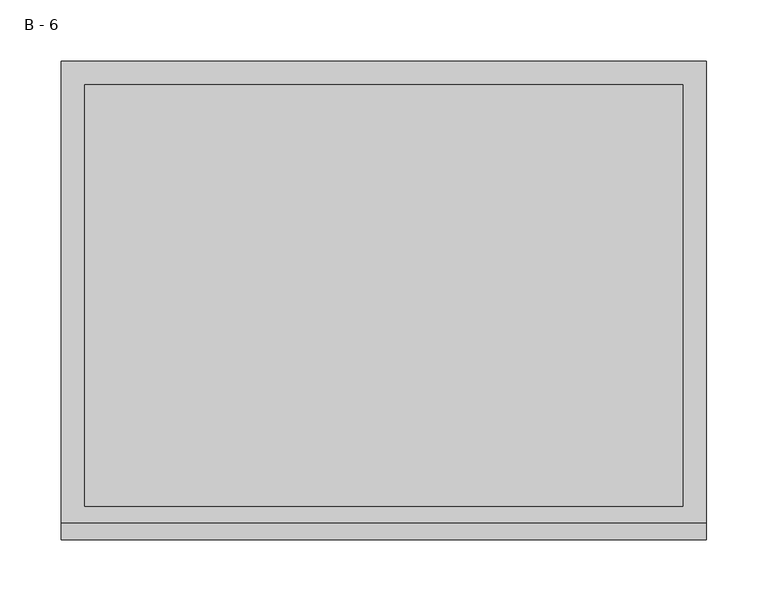
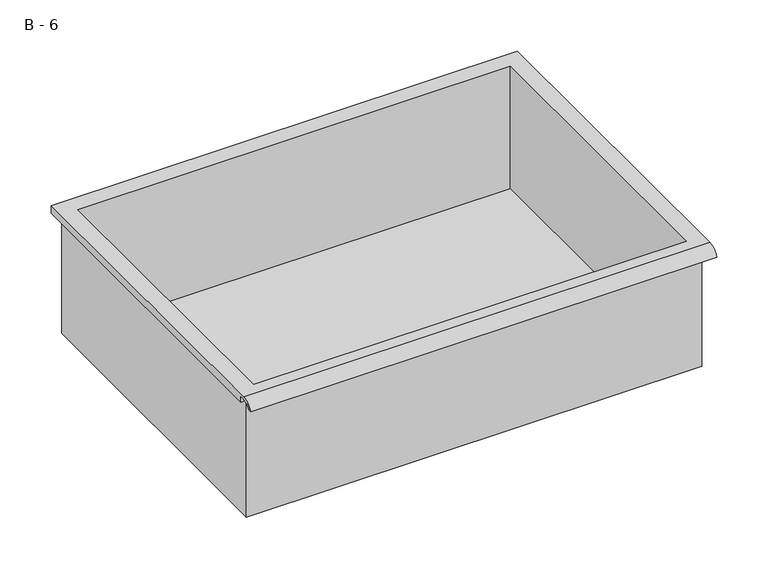
"""IFC4 building model written with IfcOpenShell, lengths in millimetres: furniture geometry, B - 6."""

from ifc_helpers import new_model, si_unit, frame, origin, place, context, project, spatial, polyline, circle_curve, source, transform, mapped, element, save
from ifc_brep_helpers import plane_surface, cylinder_surface, revolved_surface, advanced_brep


def b_6_ca415e89(model_context):
    return source(origin(), model_context, "Body", "AdvancedBrep", [
        advanced_brep(
        [(-257.1076517, -176.2125, 719.1629), (257.2423483, -176.2125, 719.1629), (257.2423483, -176.2125, 858.8629), (263.5923483, -176.2125, 858.8629), (263.5923483, -176.2125, 865.1700341), (-263.4576517, -176.2125, 865.1700341), (-263.4576517, -176.2125, 858.8629), (-257.1076517, -176.2125, 858.8629), (257.2423483, 185.7375, 719.1629), (-257.1076517, 185.7375, 719.1629), (-257.1076517, 185.7375, 858.8629), (257.2423483, 185.7375, 858.8629), (263.5923483, -181.6070544, 868.3879), (263.5923483, 195.2625, 868.3879), (-263.4576517, 195.2625, 868.3879), (-263.4576517, -181.6070544, 868.3879), (244.5423483, -168.275, 868.3879), (-244.4076517, -168.275, 868.3879), (-244.4076517, 176.2125, 868.3879), (244.5423483, 176.2125, 868.3879), (263.5923483, -195.2625, 858.8629), (263.5923483, -191.8280601, 858.8629), (263.5923483, -180.4714815, 865.1700341), (263.5923483, 195.2625, 858.8629), (-263.4576517, 195.2625, 858.8629), (-263.4576517, -180.4714815, 865.1700341), (-263.4576517, -191.8280601, 858.8629), (-263.4576517, -195.2625, 858.8629), (-244.4076517, -168.275, 722.1890719), (244.5423483, -168.275, 722.1890719), (244.5423483, 176.2125, 722.1890719), (-244.4076517, 176.2125, 722.1890719)],
        [
            (0, 1),
            (1, 2),
            (2, 3),
            (3, 4),
            (4, 5),
            (5, 6),
            (6, 7),
            (7, 0),
            (8, 9),
            (9, 10),
            (10, 11),
            (11, 8),
            (0, 9),
            (8, 1),
            (11, 2),
            (12, 13),
            (13, 14),
            (14, 15),
            (15, 12),
            (16, 17),
            (17, 18),
            (18, 19),
            (19, 16),
            (7, 10),
            (12, 20, circle_curve(frame((263.5923483, -181.6070544, 853.8368859), z_axis=(1.0, 0.0, 0.0), x_axis=(0.0, 1.0, 0.0)), 14.5510141)),
            (20, 21),
            (21, 22, circle_curve(frame((263.5923483, -181.6070544, 853.8368859), z_axis=(-1.0, 0.0, 0.0), x_axis=(0.0, 1.0, 0.0)), 11.3898979)),
            (22, 4),
            (3, 23),
            (23, 13),
            (14, 24),
            (24, 6),
            (5, 25),
            (25, 26, circle_curve(frame((-263.4576517, -181.6070544, 853.8368859), z_axis=(1.0, 0.0, 0.0), x_axis=(0.0, 1.0, 0.0)), 11.3898979)),
            (26, 27),
            (27, 15, circle_curve(frame((-263.4576517, -181.6070544, 853.8368859), z_axis=(-1.0, 0.0, 0.0), x_axis=(0.0, 1.0, 0.0)), 14.5510141)),
            (27, 20),
            (26, 21),
            (25, 22),
            (24, 23),
            (28, 29),
            (29, 30),
            (30, 31),
            (31, 28),
            (28, 17),
            (16, 29),
            (19, 30),
            (18, 31),
        ],
        [
            plane_surface(frame((257.2423483, -176.2125, 719.1629), z_axis=(0.0, -1.0, 0.0), x_axis=(1.0, 0.0, 0.0))),
            plane_surface(frame((257.2423483, 185.7375, 719.1629), z_axis=(0.0, 1.0, 0.0), x_axis=(-1.0, 0.0, 0.0))),
            plane_surface(frame((-257.1076517, -176.2125, 719.1629), z_axis=(0.0, 0.0, -1.0), x_axis=(0.0, 1.0, 0.0))),
            plane_surface(frame((257.2423483, -176.2125, 719.1629), z_axis=(1.0, 0.0, 0.0), x_axis=(0.0, 1.0, 0.0))),
            plane_surface(frame((257.2423483, -176.2125, 868.3879), z_axis=(0.0, 0.0, 1.0), x_axis=(0.0, 1.0, 0.0))),
            plane_surface(frame((-257.1076517, -176.2125, 868.3879), z_axis=(-1.0, 0.0, 0.0), x_axis=(0.0, 1.0, 0.0))),
            plane_surface(frame((263.5923483, 195.2625, 868.3879), z_axis=(1.0, 0.0, 0.0), x_axis=(0.0, -1.0, 0.0))),
            plane_surface(frame((-263.4576517, 195.2625, 868.3879), z_axis=(-1.0, 0.0, 0.0), x_axis=(0.0, 1.0, 0.0))),
            cylinder_surface(frame((-263.4576517, -181.6070544, 853.8368859), z_axis=(1.0, 0.0, 0.0), x_axis=(0.0, 1.0, 0.0)), 14.5510141),
            plane_surface(frame((263.5923483, -195.2625, 858.8629), z_axis=(0.0, -7.133584965254341e-12, -1.0), x_axis=(-1.0, 0.0, 0.0))),
            revolved_surface(polyline([(-263.4576517, -170.21715650000002, 853.8368859), (263.59234829999997, -170.21715650000002, 853.8368859)]), (-263.4576517, -181.6070544, 853.8368859), (-1.0, 0.0, 0.0)),
            plane_surface(frame((263.5923483, -180.4714815, 865.1700341), z_axis=(0.0, -1.7734282788987848e-11, -1.0), x_axis=(-1.0, 0.0, 0.0))),
            plane_surface(frame((263.5923483, -176.2125, 858.8629), z_axis=(0.0, 0.0, -1.0), x_axis=(-1.0, 0.0, 0.0))),
            plane_surface(frame((263.5923483, 195.2625, 858.8629), z_axis=(0.0, 1.0, 0.0), x_axis=(-1.0, 0.0, 0.0))),
            plane_surface(frame((244.5423483, -168.275, 722.1890719), z_axis=(0.0, 0.0, 1.0), x_axis=(-1.0, 0.0, 0.0))),
            plane_surface(frame((-244.4076517, -168.275, 868.3879), z_axis=(0.0, 1.0, 0.0), x_axis=(0.0, 0.0, -1.0))),
            plane_surface(frame((244.5423483, -168.275, 868.3879), z_axis=(-1.0, 0.0, 0.0), x_axis=(0.0, 0.0, -1.0))),
            plane_surface(frame((244.5423483, 176.2125, 868.3879), z_axis=(0.0, -1.0, 0.0), x_axis=(0.0, 0.0, -1.0))),
            plane_surface(frame((-244.4076517, 176.2125, 868.3879), z_axis=(1.0, 0.0, 0.0), x_axis=(0.0, 0.0, -1.0))),
        ],
        [
            (0, [[1, 2, 3, 4, 5, 6, 7, 8]]),
            (1, [[9, 10, 11, 12]]),
            (2, [[-1, 13, -9, 14]]),
            (3, [[-14, -12, 15, -2]]),
            (4, [[16, 17, 18, 19], [20, 21, 22, 23]]),
            (5, [[-13, -8, 24, -10]]),
            (6, [[-16, 25, 26, 27, 28, -4, 29, 30]]),
            (7, [[31, 32, -6, 33, 34, 35, 36, -18]]),
            (8, [[-25, -19, -36, 37]]),
            (9, [[-26, -37, -35, 38]]),
            (10, [[-27, -38, -34, 39]]),
            (11, [[-28, -39, -33, -5]]),
            (12, [[-29, -3, -15, -11, -24, -7, -32, 40]]),
            (13, [[-30, -40, -31, -17]]),
            (14, [[41, 42, 43, 44]]),
            (15, [[-41, 45, -20, 46]]),
            (16, [[-42, -46, -23, 47]]),
            (17, [[-43, -47, -22, 48]]),
            (18, [[-44, -48, -21, -45]]),
        ],
    ),
    ])


if __name__ == "__main__":
    model = new_model("IFC4")
    model_context = context("Model", 3, world=origin())
    ifc_project = project(units=[si_unit("LENGTHUNIT", "METRE", prefix="MILLI")], contexts=[model_context])
    site = spatial("IfcSite", under=ifc_project)
    building = spatial("IfcBuilding", under=site)
    placement = place(None, origin())
    b_6_shape = b_6_ca415e89(model_context)
    element("IfcFurniture", 1, ObjectType="B - 6", at=placement, inside=building, context=model_context, shape_type="MappedRepresentation", body=[
        mapped(b_6_shape, transform((0.0, 0.0, 0.0), x_axis=(1.0, 0.0, 0.0), y_axis=(0.0, 1.0, 0.0), z_axis=(0.0, 0.0, 1.0))),
    ])
    save(model, "model.ifc")
